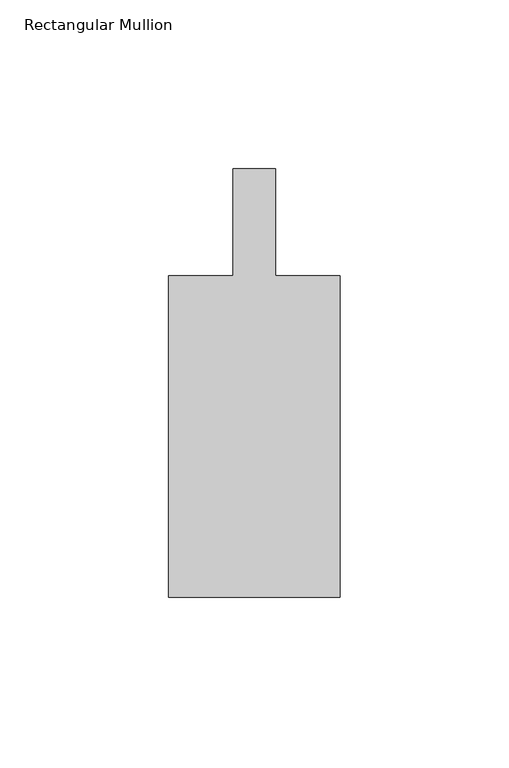
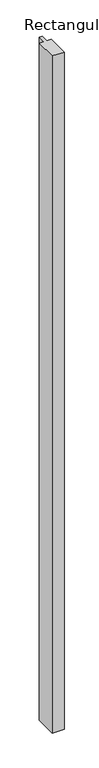
"""IFC4 building model written with IfcOpenShell, lengths in millimetres: member geometry, Rectangular Mullion."""

from ifc_helpers import new_model, si_unit, frame, origin, place, context, project, spatial, polyline, outline, extrude, source, transform, mapped, element, save


def rectangular_mullion_86fa9b92(model_context):
    return source(origin(), model_context, "Body", "SweptSolid", [
        extrude(outline(polyline([(25.4001903, -152.3999726), (-25.3998097, -152.3999726), (-25.3998097, -57.1499726), (-6.3498097, -57.1499726), (-6.3498097, -25.4), (6.3498097, -25.4), (6.3498097, -57.1499726), (25.4001903, -57.1499726), (25.4001903, -152.3999726)])), frame((0.0, 0.0, -3048.0), z_axis=(0.0, 0.0, 1.0), x_axis=(1.0, 0.0, 0.0)), (0.0, 0.0, 1.0), 3048.0),
    ])


if __name__ == "__main__":
    model = new_model("IFC4")
    model_context = context("Model", 3, world=origin())
    ifc_project = project(units=[si_unit("LENGTHUNIT", "METRE", prefix="MILLI")], contexts=[model_context])
    site = spatial("IfcSite", under=ifc_project)
    building = spatial("IfcBuilding", under=site)
    placement = place(None, origin())
    rectangular_mullion_shape = rectangular_mullion_86fa9b92(model_context)
    element("IfcMember", 1, ObjectType="Rectangular Mullion", at=placement, inside=building, context=model_context, shape_type="MappedRepresentation", body=[
        mapped(rectangular_mullion_shape, transform((0.0, 0.0, 0.0), x_axis=(1.0, 0.0, 0.0), y_axis=(0.0, 1.0, 0.0), z_axis=(0.0, 0.0, 1.0))),
    ])
    save(model, "model.ifc")
